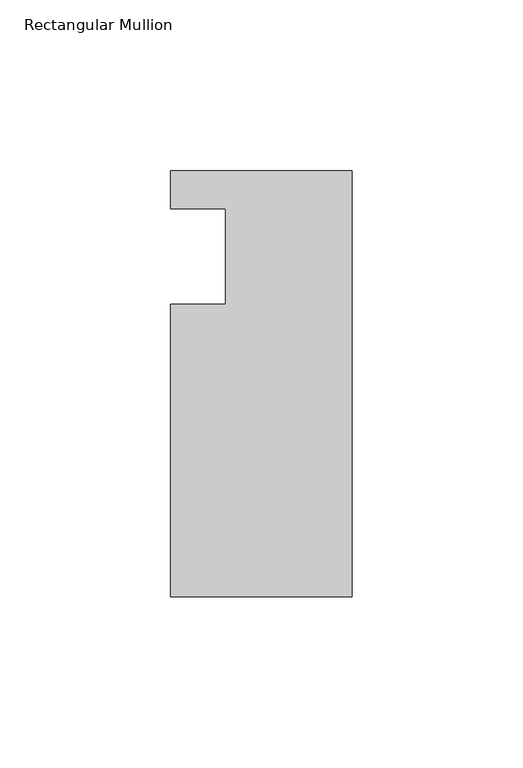
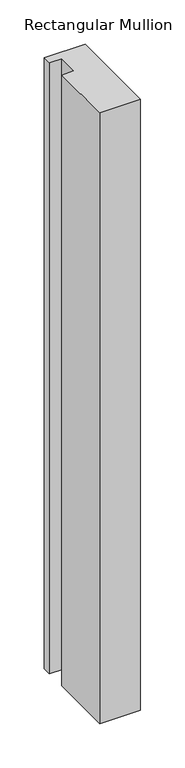
"""IFC4 building model written with IfcOpenShell, lengths in millimetres: member geometry, Rectangular Mullion."""

from ifc_helpers import new_model, si_unit, frame, origin, place, context, project, spatial, polyline, outline, extrude, source, transform, mapped, element, save


def rectangular_mullion_32477282(model_context):
    return source(origin(), model_context, "Body", "SweptSolid", [
        extrude(outline(polyline([(0.0, 25.0), (0.0, -99.5), (-53.0, -99.5), (-53.0, -14.0), (-37.0, -14.0), (-37.0, 14.0), (-53.0, 14.0), (-53.0, 25.0), (0.0, 25.0)])), frame((0.0, 0.0, -840.6534772), z_axis=(0.0, 0.0, 1.0), x_axis=(1.0, 0.0, 0.0)), (0.0, 0.0, 1.0), 840.6534772),
    ])


if __name__ == "__main__":
    model = new_model("IFC4")
    model_context = context("Model", 3, world=origin())
    ifc_project = project(units=[si_unit("LENGTHUNIT", "METRE", prefix="MILLI")], contexts=[model_context])
    site = spatial("IfcSite", under=ifc_project)
    building = spatial("IfcBuilding", under=site)
    placement = place(None, origin())
    rectangular_mullion_shape = rectangular_mullion_32477282(model_context)
    element("IfcMember", 1, ObjectType="Rectangular Mullion", at=placement, inside=building, context=model_context, shape_type="MappedRepresentation", body=[
        mapped(rectangular_mullion_shape, transform((0.0, 0.0, 0.0), x_axis=(1.0, 0.0, 0.0), y_axis=(0.0, 1.0, 0.0), z_axis=(0.0, 0.0, 1.0))),
    ])
    save(model, "model.ifc")
